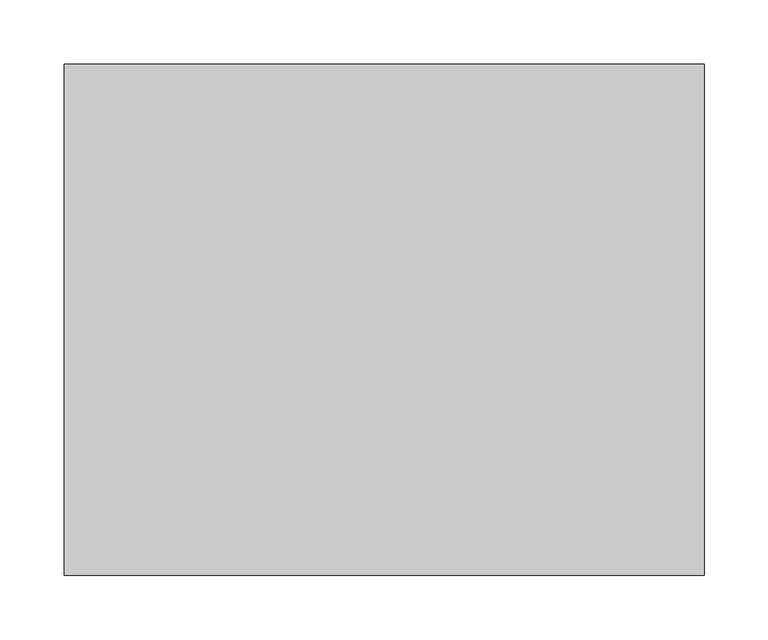
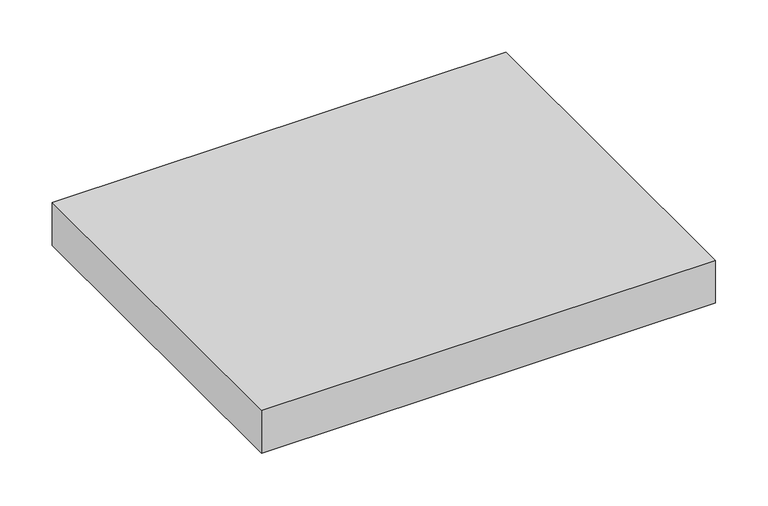
"""IFC4 building model written with IfcOpenShell, lengths in millimetres: proxy geometry."""

from ifc_helpers import new_model, si_unit, origin, origin_with_axes, place, context, project, spatial, polyline, outline, extrude, source, transform, mapped, element, save


def generic_models_c7ad99b4(model_context):
    return source(origin(), model_context, "Body", "SweptSolid", [
        extrude(outline(polyline([(0.0, 400.0), (500.0, 400.0), (500.0, 0.0), (0.0, 0.0), (0.0, 400.0)])), origin_with_axes(), (0.0, 0.0, 1.0), 50.0),
    ])


if __name__ == "__main__":
    model = new_model("IFC4")
    model_context = context("Model", 3, world=origin())
    ifc_project = project(units=[si_unit("LENGTHUNIT", "METRE", prefix="MILLI")], contexts=[model_context])
    site = spatial("IfcSite", under=ifc_project)
    building = spatial("IfcBuilding", under=site)
    placement = place(None, origin())
    generic_models_shape = generic_models_c7ad99b4(model_context)
    element("IfcBuildingElementProxy", 1, Name="Generic Models", at=placement, inside=building, context=model_context, shape_type="MappedRepresentation", body=[
        mapped(generic_models_shape, transform((0.0, 0.0, 0.0), x_axis=(1.0, 0.0, 0.0), y_axis=(0.0, 1.0, 0.0), z_axis=(0.0, 0.0, 1.0))),
    ])
    save(model, "model.ifc")
